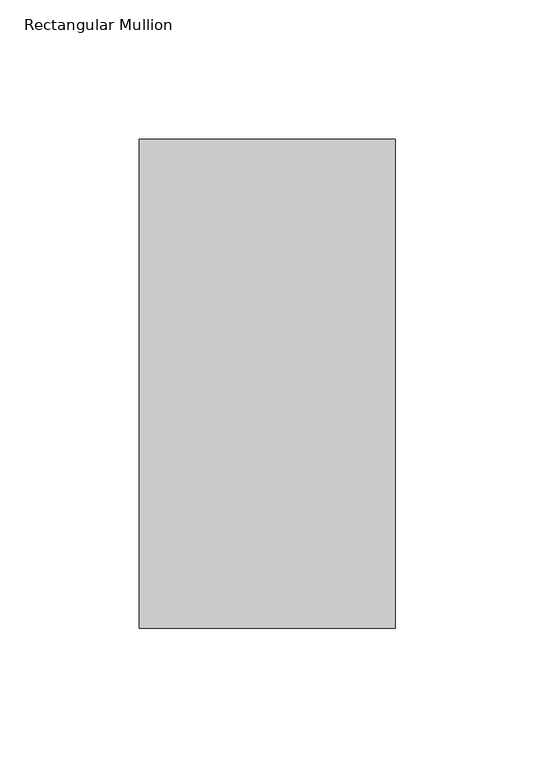
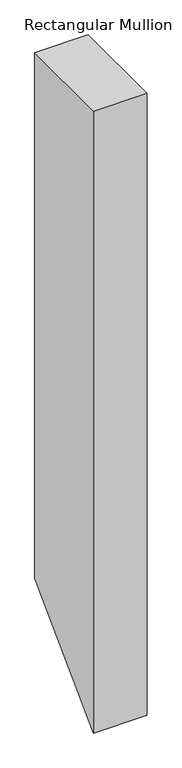
"""IFC4 building model written with IfcOpenShell, lengths in millimetres: member geometry, Rectangular Mullion."""

from ifc_helpers import new_model, si_unit, origin, place, context, project, spatial, faceted_brep, source, transform, mapped, element, save


def rectangular_mullion_805e6612(model_context):
    return source(origin(), model_context, "Body", "Brep", [
        faceted_brep([(-0.0038138, 222.5508319, 0.0), (-92.0788136, 222.5569864, 0.0), (-92.090564, 46.7635857, 0.0), (-0.0155642, 46.7574312, 0.0), (-0.0038138, 222.5508319, -958.868591), (-92.0788136, 222.5569864, -958.8624365), (-92.090564, 46.7635857, -1134.6558372), (-0.0155642, 46.7574312, -1134.6619917)], [[[0, 1, 2, 3]], [[1, 0, 4, 5]], [[2, 1, 5, 6]], [[3, 2, 6, 7]], [[0, 3, 7, 4]], [[4, 7, 6, 5]]]),
    ])


if __name__ == "__main__":
    model = new_model("IFC4")
    model_context = context("Model", 3, world=origin())
    ifc_project = project(units=[si_unit("LENGTHUNIT", "METRE", prefix="MILLI")], contexts=[model_context])
    site = spatial("IfcSite", under=ifc_project)
    building = spatial("IfcBuilding", under=site)
    placement = place(None, origin())
    rectangular_mullion_shape = rectangular_mullion_805e6612(model_context)
    element("IfcMember", 1, ObjectType="Rectangular Mullion", at=placement, inside=building, context=model_context, shape_type="MappedRepresentation", body=[
        mapped(rectangular_mullion_shape, transform((0.0, 0.0, 0.0), x_axis=(1.0, 0.0, 0.0), y_axis=(0.0, 1.0, 0.0), z_axis=(0.0, 0.0, 1.0))),
    ])
    save(model, "model.ifc")
